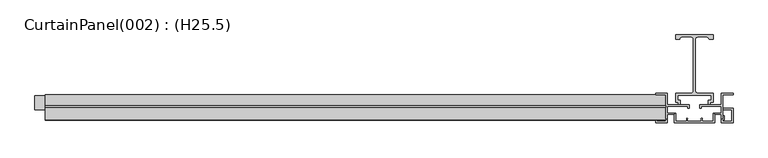
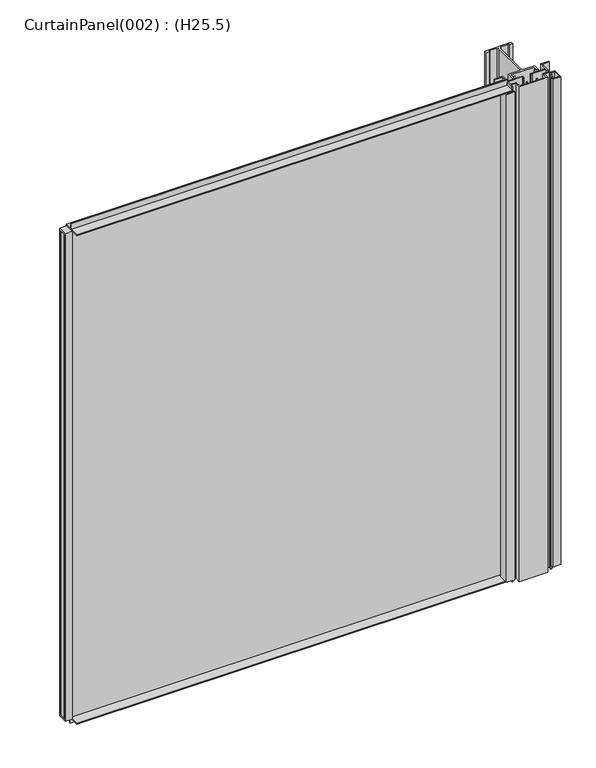
"""IFC4 building model written with IfcOpenShell, lengths in millimetres: plate geometry, CurtainPanel(002) : (H25.5)."""

import ifcopenshell
import ifcopenshell.guid

model = None  # the IFC model being written
_history = None  # IfcOwnerHistory: only IFC2X3 demands one
_inside = {}  # id of a spatial element -> (the spatial element, [elements in it])
_under = {}  # id of a project, library or spatial element -> (it, [spatial elements below it])
_declared = {}  # id of a project -> (the project, [libraries it declares])
_typed = {}  # id of a type object -> (the type object, [elements of that type])
_made_of = {}  # id of a material, layer set ... -> (it, [elements and type objects made of it])


def new_model(schema):
    """Start an empty IFC model of exactly this schema.

    Asked for "IFC4X3", IfcOpenShell would pick the latest addendum, in which some entities
    have other attributes; the version numbers below select the first issue.
    IFC2X3 requires an IfcOwnerHistory on every rooted entity: one is made here for all.
    """
    global model, _history
    if schema == "IFC4X3":
        model = ifcopenshell.file(schema_version=(4, 3, 0, 0))
    else:
        model = ifcopenshell.file(schema=schema)
    _inside.clear()
    _under.clear()
    _declared.clear()
    _typed.clear()
    _made_of.clear()
    _history = None
    if model.schema == "IFC2X3":
        org = make("IfcOrganization", Name="unknown")
        user = make(
            "IfcPersonAndOrganization",
            ThePerson=make("IfcPerson", FamilyName="unknown"),
            TheOrganization=org,
        )
        app = make(
            "IfcApplication",
            ApplicationDeveloper=org,
            Version="unknown",
            ApplicationFullName="unknown",
            ApplicationIdentifier="unknown",
        )
        _history = make(
            "IfcOwnerHistory",
            OwningUser=user,
            OwningApplication=app,
            ChangeAction="ADDED",
            CreationDate=0,
        )
    return model


def make(cls, **values):
    """One entity of the class cls with the attributes given. An attribute that is None is left unset."""
    return model.create_entity(
        cls, **{name: value for name, value in values.items() if value is not None}
    )


def rooted(cls, **values):
    """An entity with a GlobalId (a new one), such as an element, a storey or a relation."""
    return make(cls, GlobalId=ifcopenshell.guid.new(), OwnerHistory=_history, **values)


def si_unit(unit_type, name, prefix=None):
    """IfcSIUnit, for example si_unit("LENGTHUNIT", "METRE", prefix="MILLI")."""
    return make("IfcSIUnit", UnitType=unit_type, Prefix=prefix, Name=name)


def assignment(units):
    """IfcUnitAssignment: the units of a project."""
    return None if units is None else make("IfcUnitAssignment", Units=units)


def point(xyz):
    """IfcCartesianPoint."""
    return None if xyz is None else make("IfcCartesianPoint", Coordinates=xyz)


def direction(xyz):
    """IfcDirection."""
    return None if xyz is None else make("IfcDirection", DirectionRatios=xyz)


def frame(location, z_axis=None, x_axis=None):
    """IfcAxis2Placement3D, a coordinate frame: its origin and axes. An axis left out is left unset."""
    return make(
        "IfcAxis2Placement3D",
        Location=point(location),
        Axis=direction(z_axis),
        RefDirection=direction(x_axis),
    )


def frame_2d(location, x_axis=None):
    """IfcAxis2Placement2D, a coordinate frame in the plane: its origin and x axis."""
    return make(
        "IfcAxis2Placement2D", Location=point(location), RefDirection=direction(x_axis)
    )


def origin():
    """The frame at (0, 0, 0) with its axes left unset."""
    return frame((0.0, 0.0, 0.0))


def origin_with_axes():
    """The frame at (0, 0, 0) with the z axis (0, 0, 1) and the x axis (1, 0, 0) written out."""
    return frame((0.0, 0.0, 0.0), z_axis=(0.0, 0.0, 1.0), x_axis=(1.0, 0.0, 0.0))


def place(relative_to, where):
    """IfcLocalPlacement: puts the frame where relative to a parent placement (None: the world)."""
    return make(
        "IfcLocalPlacement", PlacementRelTo=relative_to, RelativePlacement=where
    )


def context(
    kind, dimensions, precision=None, world=None, true_north=None, identifier=None
):
    """IfcGeometricRepresentationContext, for example the 3D "Model" context."""
    return make(
        "IfcGeometricRepresentationContext",
        ContextIdentifier=identifier,
        ContextType=kind,
        CoordinateSpaceDimension=dimensions,
        Precision=precision,
        WorldCoordinateSystem=world,
        TrueNorth=true_north,
    )


def project(units=None, contexts=None):
    """IfcProject with its units and contexts."""
    return rooted(
        "IfcProject",
        Name="project",
        RepresentationContexts=contexts,
        UnitsInContext=assignment(units),
    )


def spatial(cls, under=None, at=None, **own):
    """A site, building, storey or space (cls), placed at a placement, below another one or the project."""
    s = rooted(cls, ObjectPlacement=at, **own)
    if under is not None:
        _under.setdefault(under.id(), (under, []))[1].append(s)
    return s


def polyline(points):
    """IfcPolyline through the points."""
    return make("IfcPolyline", Points=[point(p) for p in points])


def circle_curve(where, radius):
    """IfcCircle in the frame where."""
    return make("IfcCircle", Position=where, Radius=radius)


def trimmed(basis, trim1, trim2, sense, master):
    """IfcTrimmedCurve: the piece of a basis curve between two trims."""
    return make(
        "IfcTrimmedCurve",
        BasisCurve=basis,
        Trim1=trim1,
        Trim2=trim2,
        SenseAgreement=sense,
        MasterRepresentation=master,
    )


def segment(curve, same_sense, transition):
    """IfcCompositeCurveSegment."""
    return make(
        "IfcCompositeCurveSegment",
        Transition=transition,
        SameSense=same_sense,
        ParentCurve=curve,
    )


def composite_curve(segments, self_intersect=None):
    """IfcCompositeCurve: segments joined end to end."""
    return make("IfcCompositeCurve", Segments=segments, SelfIntersect=self_intersect)


def outline(outer, holes=None, kind="AREA"):
    """IfcArbitraryClosedProfileDef: a profile drawn as a closed curve; with holes, ...WithVoids."""
    if holes is None:
        return make("IfcArbitraryClosedProfileDef", ProfileType=kind, OuterCurve=outer)
    return make(
        "IfcArbitraryProfileDefWithVoids",
        ProfileType=kind,
        OuterCurve=outer,
        InnerCurves=holes,
    )


def extrude(swept, where, along, depth):
    """IfcExtrudedAreaSolid: the profile swept, set in the frame where, extruded along a direction by depth."""
    return make(
        "IfcExtrudedAreaSolid",
        SweptArea=swept,
        Position=where,
        ExtrudedDirection=direction(along),
        Depth=depth,
    )


def shape(context_of_items, identifier, shape_type, items):
    """IfcShapeRepresentation: the items that make up one representation, for example the "Body"."""
    return make(
        "IfcShapeRepresentation",
        ContextOfItems=context_of_items,
        RepresentationIdentifier=identifier,
        RepresentationType=shape_type,
        Items=items,
    )


def source(mapping_origin, context_of_items, identifier, shape_type, items):
    """IfcRepresentationMap: a shape defined once, which mapped items show again and again."""
    return make(
        "IfcRepresentationMap",
        MappingOrigin=mapping_origin,
        MappedRepresentation=shape(context_of_items, identifier, shape_type, items),
    )


def transform(
    local_origin,
    x_axis=None,
    y_axis=None,
    z_axis=None,
    scale=None,
    scale2=None,
    scale3=None,
    uniform=True,
):
    """IfcCartesianTransformationOperator3D, or its non-uniform kind. x_axis, y_axis, z_axis: its Axis1, 2, 3."""
    if uniform:
        return make(
            "IfcCartesianTransformationOperator3D",
            Axis1=direction(x_axis),
            Axis2=direction(y_axis),
            LocalOrigin=point(local_origin),
            Scale=scale,
            Axis3=direction(z_axis),
        )
    return make(
        "IfcCartesianTransformationOperator3DnonUniform",
        Axis1=direction(x_axis),
        Axis2=direction(y_axis),
        LocalOrigin=point(local_origin),
        Scale=scale,
        Axis3=direction(z_axis),
        Scale2=scale2,
        Scale3=scale3,
    )


def mapped(mapping_source, mapping_target):
    """IfcMappedItem: shows the shape of a source again, moved by a transform."""
    return make(
        "IfcMappedItem", MappingSource=mapping_source, MappingTarget=mapping_target
    )


def made_of(thing, what):
    """Note that an element or type object is made of a material, layer set ...; save() writes the relation."""
    if what is not None:
        _made_of.setdefault(what.id(), (what, []))[1].append(thing)
    return thing


def element(
    cls,
    number,
    at=None,
    inside=None,
    cuts=None,
    type_object=None,
    material=None,
    context=None,
    identifier="Body",
    shape_type=None,
    held_by="IfcProductDefinitionShape",
    body=None,
    shapes=None,
    **own,
):
    """One element of the class cls, such as IfcWall. Its Tag is "e" and its number.

    at: its placement. inside: the storey or other place that contains it. cuts: it is an
    opening in that element (IfcRelVoidsElement). A single representation is given by context,
    identifier, shape_type and body (its items); several are given by shapes. held_by: the class
    of the entity that holds the representations. save() writes the other relations.
    """
    e = rooted(cls, Tag="e%d" % number, ObjectPlacement=at, **own)
    if body is not None:
        shapes = [shape(context, identifier, shape_type, body)]
    if shapes is not None:
        e.Representation = make(held_by, Representations=shapes)
    if inside is not None:
        _inside.setdefault(inside.id(), (inside, []))[1].append(e)
    if cuts is not None:
        rooted(
            "IfcRelVoidsElement", RelatingBuildingElement=cuts, RelatedOpeningElement=e
        )
    if type_object is not None:
        _typed.setdefault(type_object.id(), (type_object, []))[1].append(e)
    return made_of(e, material)


def aggregate(whole, parts):
    """IfcRelAggregates: a whole, such as a stair, and the parts it consists of."""
    return rooted("IfcRelAggregates", RelatingObject=whole, RelatedObjects=parts)


def save(model, path):
    """Write the relations noted so far, then the file.

    IfcRelAggregates (storeys below a building ...), IfcRelContainedInSpatialStructure (elements
    in a storey), IfcRelDefinesByType, IfcRelAssociatesMaterial and IfcRelDeclares: one each for
    every whole, place, type object, material and project.
    """
    for whole, parts in _under.values():
        aggregate(whole, parts)
    for where, things in _inside.values():
        rooted(
            "IfcRelContainedInSpatialStructure",
            RelatedElements=things,
            RelatingStructure=where,
        )
    for kind, things in _typed.values():
        rooted("IfcRelDefinesByType", RelatedObjects=things, RelatingType=kind)
    for what, things in _made_of.values():
        rooted("IfcRelAssociatesMaterial", RelatedObjects=things, RelatingMaterial=what)
    for by, libraries in _declared.values():
        rooted("IfcRelDeclares", RelatingContext=by, RelatedDefinitions=libraries)
    model.write(path)


def curtainpanel_002_h25_5_d565d1fc(model_context):
    return source(origin(), model_context, "Body", "SweptSolid", [
        extrude(outline(polyline([(812.0, -33.0), (812.0, -30.0), (834.5, -30.0), (834.5, -61.5), (809.0, -61.5), (809.0, -52.5), (812.0, -52.5), (812.0, -46.5), (815.0, -46.5), (815.0, -55.5), (812.0, -55.5), (812.0, -58.5), (831.5, -58.5), (831.5, -33.0), (812.0, -33.0)])), frame((0.0, 0.0, 12.0), z_axis=(0.0, 0.0, 1.0), x_axis=(1.0, 0.0, 0.0)), (0.0, 0.0, 1.0), 1601.0),
        extrude(outline(polyline([(688.0, -33.0), (668.5, -33.0), (668.5, -58.5), (688.0, -58.5), (688.0, -55.5), (685.0, -55.5), (685.0, -46.5), (688.0, -46.5), (688.0, -52.5), (691.0, -52.5), (691.0, -61.5), (665.5, -61.5), (665.5, -30.0), (688.0, -30.0), (688.0, -33.0)])), frame((0.0, 0.0, 12.0), z_axis=(0.0, 0.0, 1.0), x_axis=(1.0, 0.0, 0.0)), (0.0, 0.0, 1.0), 1601.0),
        extrude(outline(polyline([(809.0, -40.5), (809.0, -25.5), (764.6, -25.5), (764.6, -30.0), (761.6, -30.0), (761.6, -22.5), (776.2491774, -22.5), (809.0, -22.5), (809.0, 3.0), (834.5, 3.0), (834.5, 0.0), (812.0, 0.0), (812.0, -52.5), (809.0, -52.5), (809.0, -43.5), (794.0, -43.5), (794.0, -40.5), (809.0, -40.5)])), origin_with_axes(), (0.0, 0.0, 1.0), 1625.0),
        extrude(outline(polyline([(691.0, -40.5), (706.0, -40.5), (706.0, -43.5), (691.0, -43.5), (691.0, -52.5), (688.0, -52.5), (688.0, 0.0), (665.5, 0.0), (665.5, 3.0), (691.0, 3.0), (691.0, -22.5), (723.7508226, -22.5), (738.4, -22.5), (738.4, -30.0), (735.4, -30.0), (735.4, -25.5), (691.0, -25.5), (691.0, -40.5)])), origin_with_axes(), (0.0, 0.0, 1.0), 1625.0),
        extrude(outline(polyline([(791.0, -40.5), (794.0, -40.5), (794.0, -61.5), (706.0, -61.5), (706.0, -40.5), (709.0, -40.5), (709.0, -58.5), (733.0, -58.5), (733.0, -51.2349048), (734.7349048, -51.2349048), (735.8232233, -52.3232233), (735.0, -53.1464466), (735.0, -58.5), (765.0, -58.5), (765.0, -53.1464466), (764.1767767, -52.3232233), (765.2650952, -51.2349048), (767.0, -51.2349048), (767.0, -58.5), (791.0, -58.5), (791.0, -40.5)])), origin_with_axes(), (0.0, 0.0, 1.0), 1625.0),
        extrude(outline(composite_curve([segment(polyline([(709.0, 3.0), (743.25, 3.0)]), True, "CONTINUOUS"), segment(trimmed(circle_curve(frame_2d((743.25, 7.5)), 4.5), [point((743.25, 3.0))], [point((747.75, 7.5))], True, "CARTESIAN"), True, "CONTINUOUS"), segment(polyline([(747.75, 7.5), (747.75, 121.0)]), True, "CONTINUOUS"), segment(trimmed(circle_curve(frame_2d((743.25, 121.0)), 4.5), [point((747.75, 121.0))], [point((743.25, 125.5))], True, "CARTESIAN"), True, "CONTINUOUS"), segment(polyline([(743.25, 125.5), (722.5, 125.5)]), True, "CONTINUOUS"), segment(trimmed(circle_curve(frame_2d((722.5, 121.0)), 4.5), [point((722.5, 125.5))], [point((718.0, 121.0))], True, "CARTESIAN"), True, "CONTINUOUS"), segment(polyline([(718.0, 121.0), (709.0, 121.0), (709.0, 130.0), (791.0, 130.0), (791.0, 121.0), (782.0, 121.0)]), True, "CONTINUOUS"), segment(trimmed(circle_curve(frame_2d((777.5, 121.0)), 4.5), [point((782.0, 121.0))], [point((777.5, 125.5))], True, "CARTESIAN"), True, "CONTINUOUS"), segment(polyline([(777.5, 125.5), (756.75, 125.5)]), True, "CONTINUOUS"), segment(trimmed(circle_curve(frame_2d((756.75, 121.0)), 4.5), [point((756.75, 125.5))], [point((752.25, 121.0))], True, "CARTESIAN"), True, "CONTINUOUS"), segment(polyline([(752.25, 121.0), (752.25, 7.5)]), True, "CONTINUOUS"), segment(trimmed(circle_curve(frame_2d((756.75, 7.5)), 4.5), [point((752.25, 7.5))], [point((756.75, 3.0))], True, "CARTESIAN"), True, "CONTINUOUS"), segment(polyline([(756.75, 3.0), (791.0, 3.0), (791.0, -16.5), (785.0, -16.5), (785.0, -22.5), (780.6, -22.5), (780.6, -12.1), (786.6, -12.1), (786.6, -1.4), (713.4, -1.4), (713.4, -12.1), (719.4, -12.1), (719.4, -22.5), (715.0, -22.5), (715.0, -16.5), (709.0, -16.5), (709.0, 3.0)]), True, "CONTINUOUS")], self_intersect=False)), origin_with_axes(), (0.0, 0.0, 1.0), 1625.0),
        extrude(outline(polyline([(-3.0, 12.0), (-3.0, 34.5), (0.0, 34.5), (0.0, 9.0), (-19.2, 9.0), (-19.2, -9.0), (-22.2, -9.0), (-22.2, 9.0), (-55.5, 9.0), (-55.5, 12.0), (-3.0, 12.0)])), frame((-665.5, 0.0, 0.0), z_axis=(1.0, 0.0, 0.0), x_axis=(0.0, 1.0, 0.0)), (0.0, 0.0, 1.0), 1353.5),
        extrude(outline(polyline([(-3.0, 1613.0), (-55.5, 1613.0), (-55.5, 1616.0), (-27.2658567, 1616.0), (-27.2658567, 1634.0), (-24.2658567, 1634.0), (-24.2658567, 1616.0), (0.0, 1616.0), (0.0, 1590.5), (-3.0, 1590.5), (-3.0, 1613.0)])), frame((-665.5, 0.0, 0.0), z_axis=(1.0, 0.0, 0.0), x_axis=(0.0, 1.0, 0.0)), (0.0, 0.0, 1.0), 1353.5),
        extrude(outline(polyline([(688.0, -12.0), (688.0, -24.0), (665.5, -24.0), (665.5, -12.0), (688.0, -12.0)])), frame((0.0, 0.0, 18.0), z_axis=(0.0, 0.0, 1.0), x_axis=(1.0, 0.0, 0.0)), (0.0, 0.0, 1.0), 1586.0),
        extrude(outline(polyline([(-688.0, -24.0), (-688.0, -12.0), (-665.5, -12.0), (-665.5, -24.0), (-688.0, -24.0)])), frame((0.0, 0.0, 18.0), z_axis=(0.0, 0.0, 1.0), x_axis=(1.0, 0.0, 0.0)), (0.0, 0.0, 1.0), 1589.0),
        extrude(outline(polyline([(-33.0, 1613.0), (-3.0, 1613.0), (-3.0, 12.0), (-33.0, 12.0), (-33.0, 1613.0)]), holes=[polyline([(-6.0, 1607.0), (-30.0, 1607.0), (-30.0, 18.0), (-6.0, 18.0), (-6.0, 1607.0)])]), frame((-688.0, 0.0, 0.0), z_axis=(1.0, 0.0, 0.0), x_axis=(0.0, 1.0, 0.0)), (0.0, 0.0, 1.0), 22.5),
        extrude(outline(polyline([(-33.0, 1613.0), (-3.0, 1613.0), (-3.0, 12.0), (-33.0, 12.0), (-33.0, 1613.0)]), holes=[polyline([(-6.0, 1607.0), (-30.0, 1607.0), (-30.0, 18.0), (-6.0, 18.0), (-6.0, 1607.0)])]), frame((665.5, 0.0, 0.0), z_axis=(1.0, 0.0, 0.0), x_axis=(0.0, 1.0, 0.0)), (0.0, 0.0, 1.0), 22.5),
        extrude(outline(polyline([(688.0, -24.0), (688.0, -30.0), (-688.0, -30.0), (-688.0, -24.0), (688.0, -24.0)])), frame((0.0, 0.0, 18.0), z_axis=(0.0, 0.0, 1.0), x_axis=(1.0, 0.0, 0.0)), (0.0, 0.0, 1.0), 1589.0),
        extrude(outline(polyline([(688.0, -6.0), (688.0, -12.0), (-688.0, -12.0), (-688.0, -6.0), (688.0, -6.0)])), frame((0.0, 0.0, 18.0), z_axis=(0.0, 0.0, 1.0), x_axis=(1.0, 0.0, 0.0)), (0.0, 0.0, 1.0), 1589.0),
    ])


if __name__ == "__main__":
    model = new_model("IFC4")
    model_context = context("Model", 3, world=origin())
    ifc_project = project(units=[si_unit("LENGTHUNIT", "METRE", prefix="MILLI")], contexts=[model_context])
    site = spatial("IfcSite", under=ifc_project)
    building = spatial("IfcBuilding", under=site)
    placement = place(None, origin())
    curtainpanel_002_h25_5_shape = curtainpanel_002_h25_5_d565d1fc(model_context)
    element("IfcPlate", 1, ObjectType="CurtainPanel(002) : (H25.5)", at=placement, inside=building, context=model_context, shape_type="MappedRepresentation", body=[
        mapped(curtainpanel_002_h25_5_shape, transform((0.0, 0.0, 0.0), x_axis=(1.0, 0.0, 0.0), y_axis=(0.0, 1.0, 0.0), z_axis=(0.0, 0.0, 1.0))),
    ])
    save(model, "model.ifc")
